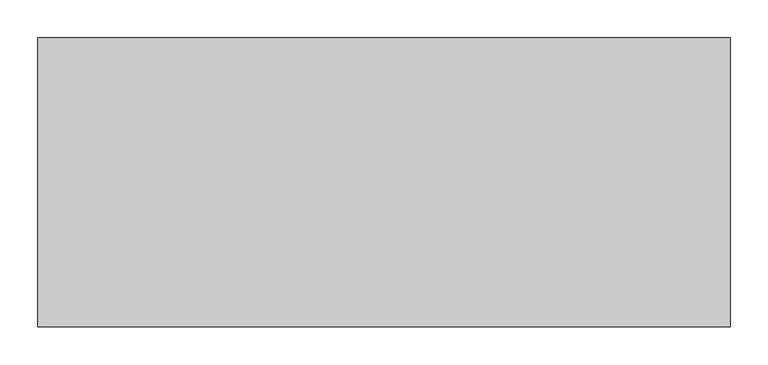
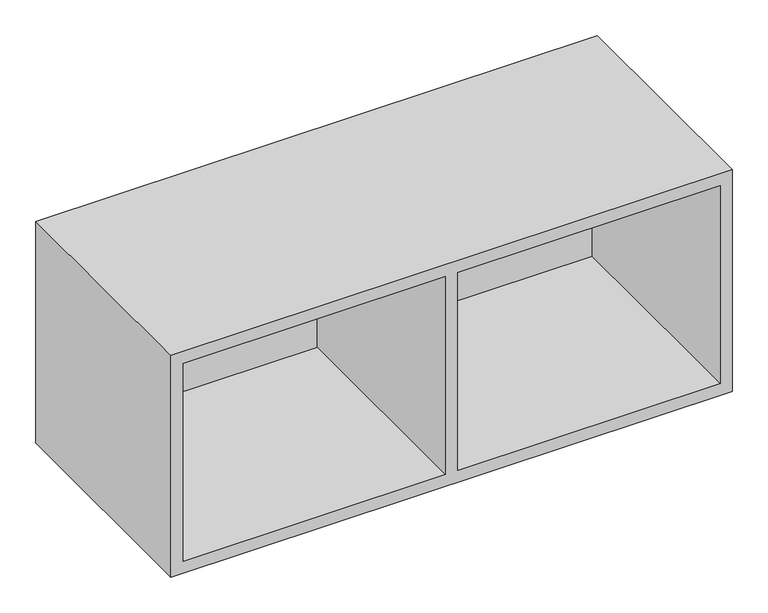
"""IFC4 building model written with IfcOpenShell, lengths in millimetres: furniture geometry."""

from ifc_helpers import new_model, si_unit, origin, place, context, project, spatial, faceted_brep, source, transform, mapped, element, save


def furniture_fc503704(model_context):
    return source(origin(), model_context, "Body", "Brep", [
        faceted_brep([(446.6084682, -381.0, 1306.1696643), (446.6084682, -381.0, 1646.8343357), (446.6084682, -20.1675917, 1646.8343357), (446.6084682, -20.1675917, 1306.1696643), (0.0, -381.0, 1667.002), (0.0, -381.0, 1286.002), (913.384, -381.0, 1286.002), (913.384, -381.0, 1667.002), (20.1673737, -381.0, 1306.1696643), (20.1673737, -381.0, 1646.8343357), (466.7755318, -381.0, 1306.1696643), (466.7755318, -381.0, 1646.8343357), (893.2166263, -381.0, 1646.8343357), (893.2166263, -381.0, 1306.1696643), (466.7755318, -20.1675917, 1306.1696643), (466.7755318, -20.1675917, 1646.8343357), (20.1673737, -20.1675917, 1306.1696643), (893.2166263, -20.1675917, 1306.1696643), (0.0, 0.0, 1286.002), (913.384, 0.0, 1286.002), (0.0, 0.0, 1667.002), (913.384, 0.0, 1667.002), (20.1673737, -20.1675917, 1646.8343357), (893.2166263, -20.1675917, 1646.8343357)], [[[0, 1, 2, 3]], [[4, 5, 6, 7], [1, 0, 8, 9], [10, 11, 12, 13]], [[11, 10, 14, 15]], [[8, 0, 3, 16]], [[10, 13, 17, 14]], [[18, 19, 6, 5]], [[20, 4, 7, 21]], [[4, 20, 18, 5]], [[8, 16, 22, 9]], [[3, 2, 22, 16]], [[15, 14, 17, 23]], [[17, 13, 12, 23]], [[21, 7, 6, 19]], [[20, 21, 19, 18]], [[1, 9, 22, 2]], [[12, 11, 15, 23]]]),
    ])


if __name__ == "__main__":
    model = new_model("IFC4")
    model_context = context("Model", 3, world=origin())
    ifc_project = project(units=[si_unit("LENGTHUNIT", "METRE", prefix="MILLI")], contexts=[model_context])
    site = spatial("IfcSite", under=ifc_project)
    building = spatial("IfcBuilding", under=site)
    placement = place(None, origin())
    furniture_shape = furniture_fc503704(model_context)
    element("IfcFurniture", 1, at=placement, inside=building, context=model_context, shape_type="MappedRepresentation", body=[
        mapped(furniture_shape, transform((0.0, 0.0, 0.0), x_axis=(1.0, 0.0, 0.0), y_axis=(0.0, 1.0, 0.0), z_axis=(0.0, 0.0, 1.0))),
    ])
    save(model, "model.ifc")
